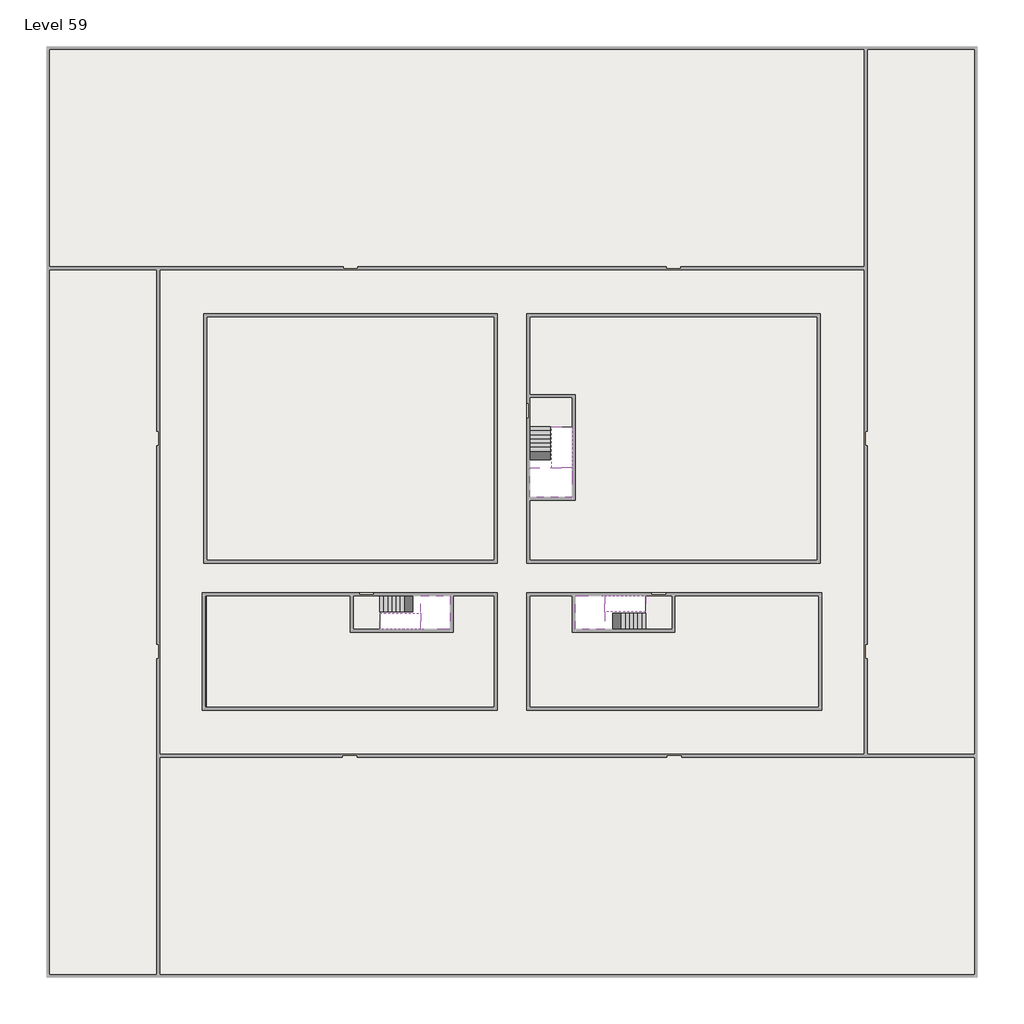
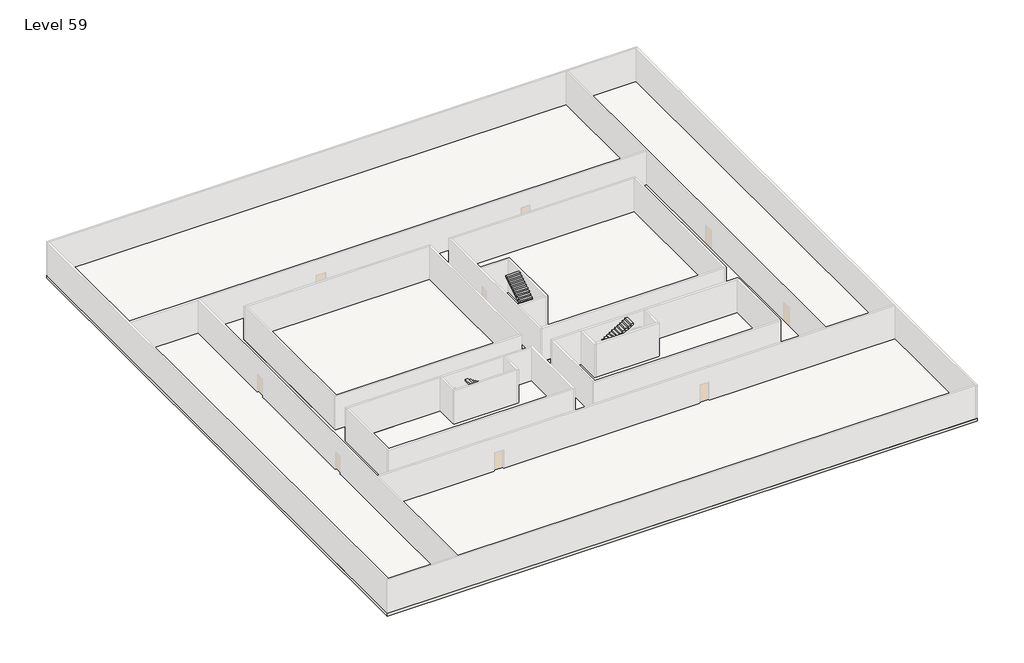
# One storey, part 2 of 2: 6 slabs, 6 stair flights.
"""IFC4 building model written with IfcOpenShell, lengths in millimetres."""

from ifc_helpers import new_model, si_unit, frame, origin, place, context, project, spatial, polyline, outline, extrude, faceted_brep, element, save

model = new_model("IFC4")

# Units and contexts
model_context = context("Model", 3, world=origin())
ifc_project = project(units=[si_unit("LENGTHUNIT", "METRE", prefix="MILLI")], contexts=[model_context])

# Site, building, storey
site = spatial("IfcSite", under=ifc_project)
building = spatial("IfcBuilding", under=site)
storey = spatial("IfcBuildingStorey", under=building, Name="Level 59", Elevation=220400.0)

# Slabs
placement = place(None, origin())
element("IfcSlab", 1, at=placement, inside=storey, context=model_context, shape_type="SweptSolid", body=[
    extrude(outline(polyline([(55890.1058784, -5518.09644), (55890.1058784, -68918.09644), (-7509.8941216, -68918.09644), (-7509.8941216, -5518.09644), (55890.1058784, -5518.09644)]), holes=[polyline([(23190.1058784, -23718.09644), (3190.1058784, -23718.09644), (3190.1058784, -40718.09644), (23190.1058784, -40718.09644), (23190.1058784, -23718.09644)]), polyline([(45190.1058784, -23718.09644), (25190.1058784, -23718.09644), (25190.1058784, -40718.09644), (45190.1058784, -40718.09644), (45190.1058784, -23718.09644)]), polyline([(23190.1058784, -50718.09644), (23190.1058784, -42718.09644), (3390.1058784, -42718.09644), (3390.1058784, -50718.09644), (23190.1058784, -50718.09644)]), polyline([(25190.1058784, -50718.09644), (45190.1058784, -50718.09644), (45190.1058784, -42718.09644), (25190.1058784, -42718.09644), (25190.1058784, -50718.09644)])]), frame((0.0, 0.0, 220100.0), z_axis=(0.0, 0.0, 1.0), x_axis=(1.0, 0.0, 0.0)), (0.0, 0.0, 1.0), 300.0),
])
element("IfcSlab", 2, at=placement, inside=storey, context=model_context, shape_type="Brep", body=[
    faceted_brep([(26790.1058784, -34218.09644, 222300.0), (25390.1058784, -34218.09644, 222300.0), (25390.1058784, -34297.4828763, 222300.0), (25390.1058784, -36218.09644, 222300.0), (28290.1058784, -36218.09644, 222300.0), (28290.1058784, -34418.7100038, 222300.0), (28290.1058784, -34218.09644, 222300.0), (26890.1058784, -34218.09644, 222300.0), (26790.1058784, -34218.09644, 222000.0), (26790.1058784, -34218.09644, 221951.0278478), (25390.1058784, -34218.09644, 221951.0278478), (25390.1058784, -34218.09644, 222127.2727273), (25390.1058784, -34297.4828763, 222000.0), (25390.1058784, -36218.09644, 222000.0), (28290.1058784, -36218.09644, 222000.0), (28290.1058784, -34418.7100038, 222000.0), (28290.1058784, -34218.09644, 222123.7551205), (26890.1058784, -34218.09644, 222123.7551205), (26890.1058784, -34218.09644, 222000.0), (26890.1058784, -34418.7100038, 222000.0), (26790.1058784, -34297.4828763, 222000.0)], [[[0, 1, 2, 3, 4, 5, 6, 7]], [[1, 0, 8, 9, 10, 11]], [[1, 11, 10, 12, 13, 3, 2]], [[4, 3, 13, 14]], [[4, 14, 15, 16, 6, 5]], [[7, 6, 16, 17]], [[0, 7, 17, 18, 8]], [[18, 19, 15, 14, 13, 12, 20, 8]], [[19, 18, 17]], [[20, 12, 10, 9]], [[8, 20, 9]], [[15, 19, 17, 16]]]),
])
element("IfcSlab", 3, at=placement, inside=storey, context=model_context, shape_type="SweptSolid", body=[
    extrude(outline(polyline([(22990.1058784, -23918.09644), (22990.1058784, -40518.09644), (3390.1058784, -40518.09644), (3390.1058784, -23918.09644), (22990.1058784, -23918.09644)])), frame((0.0, 0.0, 220100.0), z_axis=(0.0, 0.0, 1.0), x_axis=(1.0, 0.0, 0.0)), (0.0, 0.0, 1.0), 300.0),
    extrude(outline(polyline([(44990.1058784, -23918.09644), (44990.1058784, -40518.09644), (25390.1058784, -40518.09644), (25390.1058784, -36418.09644), (28490.1058784, -36418.09644), (28490.1058784, -29218.09644), (25390.1058784, -29218.09644), (25390.1058784, -23918.09644), (44990.1058784, -23918.09644)])), frame((0.0, 0.0, 220100.0), z_axis=(0.0, 0.0, 1.0), x_axis=(1.0, 0.0, 0.0)), (0.0, 0.0, 1.0), 300.0),
    extrude(outline(polyline([(22990.1058784, -42918.09644), (22990.1058784, -50518.09644), (3390.1058784, -50518.09644), (3390.1058784, -42918.09644), (13190.1058784, -42918.09644), (13190.1058784, -45418.09644), (20190.1058784, -45418.09644), (20190.1058784, -42918.09644), (22990.1058784, -42918.09644)])), frame((0.0, 0.0, 220100.0), z_axis=(0.0, 0.0, 1.0), x_axis=(1.0, 0.0, 0.0)), (0.0, 0.0, 1.0), 300.0),
    extrude(outline(polyline([(28290.1058784, -42918.09644), (28290.1058784, -45418.09644), (35290.1058784, -45418.09644), (35290.1058784, -42918.09644), (45090.1058784, -42918.09644), (45090.1058784, -50518.09644), (25390.1058784, -50518.09644), (25390.1058784, -42918.09644), (28290.1058784, -42918.09644)])), frame((0.0, 0.0, 220100.0), z_axis=(0.0, 0.0, 1.0), x_axis=(1.0, 0.0, 0.0)), (0.0, 0.0, 1.0), 300.0),
])
element("IfcSlab", 4, at=placement, inside=storey, context=model_context, shape_type="Brep", body=[
    faceted_brep([(30490.1058784, -45218.09644, 222300.0), (30490.1058784, -44118.09644, 222300.0), (30490.1058784, -44018.09644, 222300.0), (30490.1058784, -42918.09644, 222300.0), (30289.4923146, -42918.09644, 222300.0), (28490.1058784, -42918.09644, 222300.0), (28490.1058784, -45218.09644, 222300.0), (30410.7194421, -45218.09644, 222300.0), (30490.1058784, -45218.09644, 222127.2727273), (30490.1058784, -45218.09644, 221951.0278478), (30490.1058784, -44118.09644, 221951.0278478), (30490.1058784, -44118.09644, 222000.0), (30490.1058784, -44018.09644, 222000.0), (30490.1058784, -44018.09644, 222123.7551205), (30490.1058784, -42918.09644, 222123.7551205), (30289.4923146, -42918.09644, 222000.0), (28490.1058784, -42918.09644, 222000.0), (28490.1058784, -45218.09644, 222000.0), (30410.7194421, -45218.09644, 222000.0), (30289.4923146, -44018.09644, 222000.0), (30410.7194421, -44118.09644, 222000.0)], [[[0, 1, 2, 3, 4, 5, 6, 7]], [[1, 0, 8, 9, 10, 11]], [[2, 1, 11, 12, 13]], [[3, 2, 13, 14]], [[3, 14, 15, 16, 5, 4]], [[6, 5, 16, 17]], [[9, 8, 0, 7, 6, 17, 18]], [[19, 12, 11, 20, 18, 17, 16, 15]], [[12, 19, 13]], [[18, 20, 10, 9]], [[20, 11, 10]], [[19, 15, 14, 13]]]),
])
element("IfcSlab", 5, at=placement, inside=storey, context=model_context, shape_type="Brep", body=[
    faceted_brep([(17990.1058784, -42918.09644, 222300.0), (17990.1058784, -44018.09644, 222300.0), (17990.1058784, -44118.09644, 222300.0), (17990.1058784, -45218.09644, 222300.0), (18190.7194421, -45218.09644, 222300.0), (19990.1058784, -45218.09644, 222300.0), (19990.1058784, -42918.09644, 222300.0), (18069.4923146, -42918.09644, 222300.0), (17990.1058784, -42918.09644, 222127.2727273), (17990.1058784, -42918.09644, 221951.0278478), (17990.1058784, -44018.09644, 221951.0278478), (17990.1058784, -44018.09644, 222000.0), (17990.1058784, -44118.09644, 222000.0), (17990.1058784, -44118.09644, 222123.7551205), (17990.1058784, -45218.09644, 222123.7551205), (18190.7194421, -45218.09644, 222000.0), (19990.1058784, -45218.09644, 222000.0), (19990.1058784, -42918.09644, 222000.0), (18069.4923146, -42918.09644, 222000.0), (18190.7194421, -44118.09644, 222000.0), (18069.4923146, -44018.09644, 222000.0)], [[[0, 1, 2, 3, 4, 5, 6, 7]], [[1, 0, 8, 9, 10, 11]], [[2, 1, 11, 12, 13]], [[3, 2, 13, 14]], [[3, 14, 15, 16, 5, 4]], [[6, 5, 16, 17]], [[9, 8, 0, 7, 6, 17, 18]], [[19, 12, 11, 20, 18, 17, 16, 15]], [[12, 19, 13]], [[18, 20, 10, 9]], [[20, 11, 10]], [[19, 15, 14, 13]]]),
])
element("IfcSlab", 6, at=placement, inside=storey, context=model_context, shape_type="SweptSolid", body=[
    extrude(outline(polyline([(25190.1058784, -29418.09644), (28290.1058784, -29418.09644), (28290.1058784, -31418.09644), (25190.1058784, -31418.09644), (25190.1058784, -29418.09644)])), frame((0.0, 0.0, 220100.0), z_axis=(0.0, 0.0, 1.0), x_axis=(1.0, 0.0, 0.0)), (0.0, 0.0, 1.0), 300.0),
    extrude(outline(polyline([(15190.1058784, -45218.09644), (13390.1058784, -45218.09644), (13390.1058784, -42718.09644), (15190.1058784, -42718.09644), (15190.1058784, -45218.09644)])), frame((0.0, 0.0, 220100.0), z_axis=(0.0, 0.0, 1.0), x_axis=(1.0, 0.0, 0.0)), (0.0, 0.0, 1.0), 300.0),
    extrude(outline(polyline([(35090.1058784, -45218.09644), (33290.1058784, -45218.09644), (33290.1058784, -42718.09644), (35090.1058784, -42718.09644), (35090.1058784, -45218.09644)])), frame((0.0, 0.0, 220100.0), z_axis=(0.0, 0.0, 1.0), x_axis=(1.0, 0.0, 0.0)), (0.0, 0.0, 1.0), 300.0),
])

# Stair flights
element("IfcStairFlight", 7, at=placement, inside=storey, context=model_context, shape_type="Brep", body=[
    faceted_brep([(26790.1058784, -31698.09644, 220572.7272727), (26790.1058784, -31418.09644, 220572.7272727), (25390.1058784, -31418.09644, 220572.7272727), (25390.1058784, -31698.09644, 220572.7272727), (26790.1058784, -31698.09644, 220400.0), (26790.1058784, -31418.09644, 220400.0), (25390.1058784, -31418.09644, 220400.0), (25390.1058784, -31698.09644, 220400.0), (26790.1058784, -31978.09644, 220745.4545455), (26790.1058784, -31698.09644, 220745.4545455), (25390.1058784, -31698.09644, 220745.4545455), (25390.1058784, -31978.09644, 220745.4545455), (26790.1058784, -31978.09644, 220569.209666), (26790.1058784, -31703.7986657, 220400.0), (25390.1058784, -31703.7986657, 220400.0), (25390.1058784, -31978.09644, 220569.209666), (26790.1058784, -32258.09644, 220918.1818182), (26790.1058784, -31978.09644, 220918.1818182), (25390.1058784, -31978.09644, 220918.1818182), (25390.1058784, -32258.09644, 220918.1818182), (26790.1058784, -32258.09644, 220741.9369387), (25390.1058784, -32258.09644, 220741.9369387), (26790.1058784, -32538.09644, 221090.9090909), (26790.1058784, -32258.09644, 221090.9090909), (25390.1058784, -32258.09644, 221090.9090909), (25390.1058784, -32538.09644, 221090.9090909), (26790.1058784, -32538.09644, 220914.6642114), (25390.1058784, -32538.09644, 220914.6642114), (26790.1058784, -32818.09644, 221263.6363636), (26790.1058784, -32538.09644, 221263.6363636), (25390.1058784, -32538.09644, 221263.6363636), (25390.1058784, -32818.09644, 221263.6363636), (26790.1058784, -32818.09644, 221087.3914841), (25390.1058784, -32818.09644, 221087.3914841), (26790.1058784, -33098.09644, 221436.3636364), (26790.1058784, -32818.09644, 221436.3636364), (25390.1058784, -32818.09644, 221436.3636364), (25390.1058784, -33098.09644, 221436.3636364), (26790.1058784, -33098.09644, 221260.1187569), (25390.1058784, -33098.09644, 221260.1187569), (26790.1058784, -33378.09644, 221609.0909091), (26790.1058784, -33098.09644, 221609.0909091), (25390.1058784, -33098.09644, 221609.0909091), (25390.1058784, -33378.09644, 221609.0909091), (26790.1058784, -33378.09644, 221432.8460296), (25390.1058784, -33378.09644, 221432.8460296), (26790.1058784, -33658.09644, 221781.8181818), (26790.1058784, -33378.09644, 221781.8181818), (25390.1058784, -33378.09644, 221781.8181818), (25390.1058784, -33658.09644, 221781.8181818), (26790.1058784, -33658.09644, 221605.5733023), (25390.1058784, -33658.09644, 221605.5733023), (26790.1058784, -33938.09644, 221954.5454545), (26790.1058784, -33658.09644, 221954.5454545), (25390.1058784, -33658.09644, 221954.5454545), (25390.1058784, -33938.09644, 221954.5454545), (26790.1058784, -33938.09644, 221778.3005751), (25390.1058784, -33938.09644, 221778.3005751), (26790.1058784, -34218.09644, 222127.2727273), (26790.1058784, -33938.09644, 222127.2727273), (25390.1058784, -33938.09644, 222127.2727273), (25390.1058784, -34218.09644, 222127.2727273), (26790.1058784, -34218.09644, 222000.0), (26790.1058784, -34218.09644, 221951.0278478), (25390.1058784, -34218.09644, 221951.0278478)], [[[0, 1, 2, 3]], [[1, 0, 4, 5]], [[2, 1, 5, 6]], [[3, 2, 6, 7]], [[8, 9, 10, 11]], [[4, 0, 9, 8, 12, 13]], [[0, 3, 10, 9]], [[3, 7, 14, 15, 11, 10]], [[16, 17, 18, 19]], [[17, 16, 20, 12, 8]], [[8, 11, 18, 17]], [[19, 18, 11, 15, 21]], [[22, 23, 24, 25]], [[23, 22, 26, 20, 16]], [[16, 19, 24, 23]], [[25, 24, 19, 21, 27]], [[28, 29, 30, 31]], [[29, 28, 32, 26, 22]], [[22, 25, 30, 29]], [[31, 30, 25, 27, 33]], [[34, 35, 36, 37]], [[35, 34, 38, 32, 28]], [[28, 31, 36, 35]], [[37, 36, 31, 33, 39]], [[40, 41, 42, 43]], [[41, 40, 44, 38, 34]], [[34, 37, 42, 41]], [[43, 42, 37, 39, 45]], [[46, 47, 48, 49]], [[47, 46, 50, 44, 40]], [[40, 43, 48, 47]], [[49, 48, 43, 45, 51]], [[52, 53, 54, 55]], [[53, 52, 56, 50, 46]], [[46, 49, 54, 53]], [[55, 54, 49, 51, 57]], [[58, 59, 60, 61]], [[59, 58, 62, 63, 56, 52]], [[52, 55, 60, 59]], [[61, 60, 55, 57, 64]], [[58, 61, 64, 63, 62]], [[5, 4, 13, 14, 7, 6]], [[14, 13, 12, 20, 26, 32, 38, 44, 50, 56, 63, 64, 57, 51, 45, 39, 33, 27, 21, 15]]]),
])
element("IfcStairFlight", 8, at=placement, inside=storey, context=model_context, shape_type="Brep", body=[
    faceted_brep([(26890.1058784, -33938.09644, 222472.7272727), (26890.1058784, -34218.09644, 222472.7272727), (28290.1058784, -34218.09644, 222472.7272727), (28290.1058784, -33938.09644, 222472.7272727), (26890.1058784, -33938.09644, 222296.4823932), (26890.1058784, -34218.09644, 222123.7551205), (28290.1058784, -34218.09644, 222123.7551205), (28290.1058784, -34218.09644, 222300.0), (28290.1058784, -33938.09644, 222296.4823932), (26890.1058784, -33658.09644, 222645.4545455), (26890.1058784, -33938.09644, 222645.4545455), (28290.1058784, -33938.09644, 222645.4545455), (28290.1058784, -33658.09644, 222645.4545455), (26890.1058784, -33658.09644, 222469.209666), (28290.1058784, -33658.09644, 222469.209666), (26890.1058784, -33378.09644, 222818.1818182), (26890.1058784, -33658.09644, 222818.1818182), (28290.1058784, -33658.09644, 222818.1818182), (28290.1058784, -33378.09644, 222818.1818182), (26890.1058784, -33378.09644, 222641.9369387), (28290.1058784, -33378.09644, 222641.9369387), (26890.1058784, -33098.09644, 222990.9090909), (26890.1058784, -33378.09644, 222990.9090909), (28290.1058784, -33378.09644, 222990.9090909), (28290.1058784, -33098.09644, 222990.9090909), (26890.1058784, -33098.09644, 222814.6642114), (28290.1058784, -33098.09644, 222814.6642114), (26890.1058784, -32818.09644, 223163.6363636), (26890.1058784, -33098.09644, 223163.6363636), (28290.1058784, -33098.09644, 223163.6363636), (28290.1058784, -32818.09644, 223163.6363636), (26890.1058784, -32818.09644, 222987.3914841), (28290.1058784, -32818.09644, 222987.3914841), (26890.1058784, -32538.09644, 223336.3636364), (26890.1058784, -32818.09644, 223336.3636364), (28290.1058784, -32818.09644, 223336.3636364), (28290.1058784, -32538.09644, 223336.3636364), (26890.1058784, -32538.09644, 223160.1187569), (28290.1058784, -32538.09644, 223160.1187569), (26890.1058784, -32258.09644, 223509.0909091), (26890.1058784, -32538.09644, 223509.0909091), (28290.1058784, -32538.09644, 223509.0909091), (28290.1058784, -32258.09644, 223509.0909091), (26890.1058784, -32258.09644, 223332.8460296), (28290.1058784, -32258.09644, 223332.8460296), (26890.1058784, -31978.09644, 223681.8181818), (26890.1058784, -32258.09644, 223681.8181818), (28290.1058784, -32258.09644, 223681.8181818), (28290.1058784, -31978.09644, 223681.8181818), (26890.1058784, -31978.09644, 223505.5733023), (28290.1058784, -31978.09644, 223505.5733023), (26890.1058784, -31698.09644, 223854.5454545), (26890.1058784, -31978.09644, 223854.5454545), (28290.1058784, -31978.09644, 223854.5454545), (28290.1058784, -31698.09644, 223854.5454545), (26890.1058784, -31698.09644, 223678.3005751), (28290.1058784, -31698.09644, 223678.3005751), (26890.1058784, -31418.09644, 224027.2727273), (26890.1058784, -31698.09644, 224027.2727273), (28290.1058784, -31698.09644, 224027.2727273), (28290.1058784, -31418.09644, 224027.2727273), (26890.1058784, -31418.09644, 223851.0278478), (28290.1058784, -31418.09644, 223851.0278478)], [[[0, 1, 2, 3]], [[1, 0, 4, 5]], [[2, 1, 5, 6, 7]], [[3, 2, 7, 6, 8]], [[9, 10, 11, 12]], [[10, 9, 13, 4, 0]], [[11, 10, 0, 3]], [[12, 11, 3, 8, 14]], [[15, 16, 17, 18]], [[16, 15, 19, 13, 9]], [[17, 16, 9, 12]], [[18, 17, 12, 14, 20]], [[21, 22, 23, 24]], [[22, 21, 25, 19, 15]], [[23, 22, 15, 18]], [[24, 23, 18, 20, 26]], [[27, 28, 29, 30]], [[28, 27, 31, 25, 21]], [[29, 28, 21, 24]], [[30, 29, 24, 26, 32]], [[33, 34, 35, 36]], [[34, 33, 37, 31, 27]], [[35, 34, 27, 30]], [[36, 35, 30, 32, 38]], [[39, 40, 41, 42]], [[40, 39, 43, 37, 33]], [[41, 40, 33, 36]], [[42, 41, 36, 38, 44]], [[45, 46, 47, 48]], [[46, 45, 49, 43, 39]], [[47, 46, 39, 42]], [[48, 47, 42, 44, 50]], [[51, 52, 53, 54]], [[52, 51, 55, 49, 45]], [[53, 52, 45, 48]], [[54, 53, 48, 50, 56]], [[57, 58, 59, 60]], [[58, 57, 61, 55, 51]], [[59, 58, 51, 54]], [[60, 59, 54, 56, 62]], [[57, 60, 62, 61]], [[5, 4, 13, 19, 25, 31, 37, 43, 49, 55, 61, 62, 56, 50, 44, 38, 32, 26, 20, 14, 8, 6]]]),
])
element("IfcStairFlight", 9, at=placement, inside=storey, context=model_context, shape_type="Brep", body=[
    faceted_brep([(33010.1058784, -45218.09644, 220572.7272727), (33290.1058784, -45218.09644, 220572.7272727), (33290.1058784, -44118.09644, 220572.7272727), (33010.1058784, -44118.09644, 220572.7272727), (33010.1058784, -45218.09644, 220400.0), (33290.1058784, -45218.09644, 220400.0), (33290.1058784, -44118.09644, 220400.0), (33010.1058784, -44118.09644, 220400.0), (32730.1058784, -45218.09644, 220745.4545455), (33010.1058784, -45218.09644, 220745.4545455), (33010.1058784, -44118.09644, 220745.4545455), (32730.1058784, -44118.09644, 220745.4545455), (32730.1058784, -45218.09644, 220569.209666), (33004.4036527, -45218.09644, 220400.0), (33004.4036527, -44118.09644, 220400.0), (32730.1058784, -44118.09644, 220569.209666), (32450.1058784, -45218.09644, 220918.1818182), (32730.1058784, -45218.09644, 220918.1818182), (32730.1058784, -44118.09644, 220918.1818182), (32450.1058784, -44118.09644, 220918.1818182), (32450.1058784, -45218.09644, 220741.9369387), (32450.1058784, -44118.09644, 220741.9369387), (32170.1058784, -45218.09644, 221090.9090909), (32450.1058784, -45218.09644, 221090.9090909), (32450.1058784, -44118.09644, 221090.9090909), (32170.1058784, -44118.09644, 221090.9090909), (32170.1058784, -45218.09644, 220914.6642114), (32170.1058784, -44118.09644, 220914.6642114), (31890.1058784, -45218.09644, 221263.6363636), (32170.1058784, -45218.09644, 221263.6363636), (32170.1058784, -44118.09644, 221263.6363636), (31890.1058784, -44118.09644, 221263.6363636), (31890.1058784, -45218.09644, 221087.3914841), (31890.1058784, -44118.09644, 221087.3914841), (31610.1058784, -45218.09644, 221436.3636364), (31890.1058784, -45218.09644, 221436.3636364), (31890.1058784, -44118.09644, 221436.3636364), (31610.1058784, -44118.09644, 221436.3636364), (31610.1058784, -45218.09644, 221260.1187569), (31610.1058784, -44118.09644, 221260.1187569), (31330.1058784, -45218.09644, 221609.0909091), (31610.1058784, -45218.09644, 221609.0909091), (31610.1058784, -44118.09644, 221609.0909091), (31330.1058784, -44118.09644, 221609.0909091), (31330.1058784, -45218.09644, 221432.8460296), (31330.1058784, -44118.09644, 221432.8460296), (31050.1058784, -45218.09644, 221781.8181818), (31330.1058784, -45218.09644, 221781.8181818), (31330.1058784, -44118.09644, 221781.8181818), (31050.1058784, -44118.09644, 221781.8181818), (31050.1058784, -45218.09644, 221605.5733023), (31050.1058784, -44118.09644, 221605.5733023), (30770.1058784, -45218.09644, 221954.5454545), (31050.1058784, -45218.09644, 221954.5454545), (31050.1058784, -44118.09644, 221954.5454545), (30770.1058784, -44118.09644, 221954.5454545), (30770.1058784, -45218.09644, 221778.3005751), (30770.1058784, -44118.09644, 221778.3005751), (30490.1058784, -45218.09644, 222127.2727273), (30770.1058784, -45218.09644, 222127.2727273), (30770.1058784, -44118.09644, 222127.2727273), (30490.1058784, -44118.09644, 222127.2727273), (30490.1058784, -45218.09644, 221951.0278478), (30490.1058784, -44118.09644, 221951.0278478), (30490.1058784, -44118.09644, 222000.0)], [[[0, 1, 2, 3]], [[1, 0, 4, 5]], [[2, 1, 5, 6]], [[3, 2, 6, 7]], [[8, 9, 10, 11]], [[4, 0, 9, 8, 12, 13]], [[0, 3, 10, 9]], [[3, 7, 14, 15, 11, 10]], [[16, 17, 18, 19]], [[17, 16, 20, 12, 8]], [[8, 11, 18, 17]], [[19, 18, 11, 15, 21]], [[22, 23, 24, 25]], [[23, 22, 26, 20, 16]], [[16, 19, 24, 23]], [[25, 24, 19, 21, 27]], [[28, 29, 30, 31]], [[29, 28, 32, 26, 22]], [[22, 25, 30, 29]], [[31, 30, 25, 27, 33]], [[34, 35, 36, 37]], [[35, 34, 38, 32, 28]], [[28, 31, 36, 35]], [[37, 36, 31, 33, 39]], [[40, 41, 42, 43]], [[41, 40, 44, 38, 34]], [[34, 37, 42, 41]], [[43, 42, 37, 39, 45]], [[46, 47, 48, 49]], [[47, 46, 50, 44, 40]], [[40, 43, 48, 47]], [[49, 48, 43, 45, 51]], [[52, 53, 54, 55]], [[53, 52, 56, 50, 46]], [[46, 49, 54, 53]], [[55, 54, 49, 51, 57]], [[58, 59, 60, 61]], [[59, 58, 62, 56, 52]], [[52, 55, 60, 59]], [[61, 60, 55, 57, 63, 64]], [[58, 61, 64, 63, 62]], [[5, 4, 13, 14, 7, 6]], [[14, 13, 12, 20, 26, 32, 38, 44, 50, 56, 62, 63, 57, 51, 45, 39, 33, 27, 21, 15]]]),
])
element("IfcStairFlight", 10, at=placement, inside=storey, context=model_context, shape_type="Brep", body=[
    faceted_brep([(30770.1058784, -42918.09644, 222472.7272727), (30490.1058784, -42918.09644, 222472.7272727), (30490.1058784, -44018.09644, 222472.7272727), (30770.1058784, -44018.09644, 222472.7272727), (30770.1058784, -42918.09644, 222296.4823932), (30490.1058784, -42918.09644, 222123.7551205), (30490.1058784, -42918.09644, 222300.0), (30490.1058784, -44018.09644, 222123.7551205), (30770.1058784, -44018.09644, 222296.4823932), (31050.1058784, -42918.09644, 222645.4545455), (30770.1058784, -42918.09644, 222645.4545455), (30770.1058784, -44018.09644, 222645.4545455), (31050.1058784, -44018.09644, 222645.4545455), (31050.1058784, -42918.09644, 222469.209666), (31050.1058784, -44018.09644, 222469.209666), (31330.1058784, -42918.09644, 222818.1818182), (31050.1058784, -42918.09644, 222818.1818182), (31050.1058784, -44018.09644, 222818.1818182), (31330.1058784, -44018.09644, 222818.1818182), (31330.1058784, -42918.09644, 222641.9369387), (31330.1058784, -44018.09644, 222641.9369387), (31610.1058784, -42918.09644, 222990.9090909), (31330.1058784, -42918.09644, 222990.9090909), (31330.1058784, -44018.09644, 222990.9090909), (31610.1058784, -44018.09644, 222990.9090909), (31610.1058784, -42918.09644, 222814.6642114), (31610.1058784, -44018.09644, 222814.6642114), (31890.1058784, -42918.09644, 223163.6363636), (31610.1058784, -42918.09644, 223163.6363636), (31610.1058784, -44018.09644, 223163.6363636), (31890.1058784, -44018.09644, 223163.6363636), (31890.1058784, -42918.09644, 222987.3914841), (31890.1058784, -44018.09644, 222987.3914841), (32170.1058784, -42918.09644, 223336.3636364), (31890.1058784, -42918.09644, 223336.3636364), (31890.1058784, -44018.09644, 223336.3636364), (32170.1058784, -44018.09644, 223336.3636364), (32170.1058784, -42918.09644, 223160.1187569), (32170.1058784, -44018.09644, 223160.1187569), (32450.1058784, -42918.09644, 223509.0909091), (32170.1058784, -42918.09644, 223509.0909091), (32170.1058784, -44018.09644, 223509.0909091), (32450.1058784, -44018.09644, 223509.0909091), (32450.1058784, -42918.09644, 223332.8460296), (32450.1058784, -44018.09644, 223332.8460296), (32730.1058784, -42918.09644, 223681.8181818), (32450.1058784, -42918.09644, 223681.8181818), (32450.1058784, -44018.09644, 223681.8181818), (32730.1058784, -44018.09644, 223681.8181818), (32730.1058784, -42918.09644, 223505.5733023), (32730.1058784, -44018.09644, 223505.5733023), (33010.1058784, -42918.09644, 223854.5454545), (32730.1058784, -42918.09644, 223854.5454545), (32730.1058784, -44018.09644, 223854.5454545), (33010.1058784, -44018.09644, 223854.5454545), (33010.1058784, -42918.09644, 223678.3005751), (33010.1058784, -44018.09644, 223678.3005751), (33290.1058784, -42918.09644, 224027.2727273), (33010.1058784, -42918.09644, 224027.2727273), (33010.1058784, -44018.09644, 224027.2727273), (33290.1058784, -44018.09644, 224027.2727273), (33290.1058784, -42918.09644, 223851.0278478), (33290.1058784, -44018.09644, 223851.0278478)], [[[0, 1, 2, 3]], [[1, 0, 4, 5, 6]], [[2, 1, 6, 5, 7]], [[3, 2, 7, 8]], [[9, 10, 11, 12]], [[10, 9, 13, 4, 0]], [[11, 10, 0, 3]], [[12, 11, 3, 8, 14]], [[15, 16, 17, 18]], [[16, 15, 19, 13, 9]], [[17, 16, 9, 12]], [[18, 17, 12, 14, 20]], [[21, 22, 23, 24]], [[22, 21, 25, 19, 15]], [[23, 22, 15, 18]], [[24, 23, 18, 20, 26]], [[27, 28, 29, 30]], [[28, 27, 31, 25, 21]], [[29, 28, 21, 24]], [[30, 29, 24, 26, 32]], [[33, 34, 35, 36]], [[34, 33, 37, 31, 27]], [[35, 34, 27, 30]], [[36, 35, 30, 32, 38]], [[39, 40, 41, 42]], [[40, 39, 43, 37, 33]], [[41, 40, 33, 36]], [[42, 41, 36, 38, 44]], [[45, 46, 47, 48]], [[46, 45, 49, 43, 39]], [[47, 46, 39, 42]], [[48, 47, 42, 44, 50]], [[51, 52, 53, 54]], [[52, 51, 55, 49, 45]], [[53, 52, 45, 48]], [[54, 53, 48, 50, 56]], [[57, 58, 59, 60]], [[58, 57, 61, 55, 51]], [[59, 58, 51, 54]], [[60, 59, 54, 56, 62]], [[57, 60, 62, 61]], [[5, 4, 13, 19, 25, 31, 37, 43, 49, 55, 61, 62, 56, 50, 44, 38, 32, 26, 20, 14, 8, 7]]]),
])
element("IfcStairFlight", 11, at=placement, inside=storey, context=model_context, shape_type="Brep", body=[
    faceted_brep([(15470.1058784, -42918.09644, 220572.7272727), (15190.1058784, -42918.09644, 220572.7272727), (15190.1058784, -44018.09644, 220572.7272727), (15470.1058784, -44018.09644, 220572.7272727), (15470.1058784, -42918.09644, 220400.0), (15190.1058784, -42918.09644, 220400.0), (15190.1058784, -44018.09644, 220400.0), (15470.1058784, -44018.09644, 220400.0), (15750.1058784, -42918.09644, 220745.4545455), (15470.1058784, -42918.09644, 220745.4545455), (15470.1058784, -44018.09644, 220745.4545455), (15750.1058784, -44018.09644, 220745.4545455), (15750.1058784, -42918.09644, 220569.209666), (15475.8081041, -42918.09644, 220400.0), (15475.8081041, -44018.09644, 220400.0), (15750.1058784, -44018.09644, 220569.209666), (16030.1058784, -42918.09644, 220918.1818182), (15750.1058784, -42918.09644, 220918.1818182), (15750.1058784, -44018.09644, 220918.1818182), (16030.1058784, -44018.09644, 220918.1818182), (16030.1058784, -42918.09644, 220741.9369387), (16030.1058784, -44018.09644, 220741.9369387), (16310.1058784, -42918.09644, 221090.9090909), (16030.1058784, -42918.09644, 221090.9090909), (16030.1058784, -44018.09644, 221090.9090909), (16310.1058784, -44018.09644, 221090.9090909), (16310.1058784, -42918.09644, 220914.6642114), (16310.1058784, -44018.09644, 220914.6642114), (16590.1058784, -42918.09644, 221263.6363636), (16310.1058784, -42918.09644, 221263.6363636), (16310.1058784, -44018.09644, 221263.6363636), (16590.1058784, -44018.09644, 221263.6363636), (16590.1058784, -42918.09644, 221087.3914841), (16590.1058784, -44018.09644, 221087.3914841), (16870.1058784, -42918.09644, 221436.3636364), (16590.1058784, -42918.09644, 221436.3636364), (16590.1058784, -44018.09644, 221436.3636364), (16870.1058784, -44018.09644, 221436.3636364), (16870.1058784, -42918.09644, 221260.1187569), (16870.1058784, -44018.09644, 221260.1187569), (17150.1058784, -42918.09644, 221609.0909091), (16870.1058784, -42918.09644, 221609.0909091), (16870.1058784, -44018.09644, 221609.0909091), (17150.1058784, -44018.09644, 221609.0909091), (17150.1058784, -42918.09644, 221432.8460296), (17150.1058784, -44018.09644, 221432.8460296), (17430.1058784, -42918.09644, 221781.8181818), (17150.1058784, -42918.09644, 221781.8181818), (17150.1058784, -44018.09644, 221781.8181818), (17430.1058784, -44018.09644, 221781.8181818), (17430.1058784, -42918.09644, 221605.5733023), (17430.1058784, -44018.09644, 221605.5733023), (17710.1058784, -42918.09644, 221954.5454545), (17430.1058784, -42918.09644, 221954.5454545), (17430.1058784, -44018.09644, 221954.5454545), (17710.1058784, -44018.09644, 221954.5454545), (17710.1058784, -42918.09644, 221778.3005751), (17710.1058784, -44018.09644, 221778.3005751), (17990.1058784, -42918.09644, 222127.2727273), (17710.1058784, -42918.09644, 222127.2727273), (17710.1058784, -44018.09644, 222127.2727273), (17990.1058784, -44018.09644, 222127.2727273), (17990.1058784, -42918.09644, 221951.0278478), (17990.1058784, -44018.09644, 221951.0278478), (17990.1058784, -44018.09644, 222000.0)], [[[0, 1, 2, 3]], [[1, 0, 4, 5]], [[2, 1, 5, 6]], [[3, 2, 6, 7]], [[8, 9, 10, 11]], [[4, 0, 9, 8, 12, 13]], [[0, 3, 10, 9]], [[3, 7, 14, 15, 11, 10]], [[16, 17, 18, 19]], [[17, 16, 20, 12, 8]], [[8, 11, 18, 17]], [[19, 18, 11, 15, 21]], [[22, 23, 24, 25]], [[23, 22, 26, 20, 16]], [[16, 19, 24, 23]], [[25, 24, 19, 21, 27]], [[28, 29, 30, 31]], [[29, 28, 32, 26, 22]], [[22, 25, 30, 29]], [[31, 30, 25, 27, 33]], [[34, 35, 36, 37]], [[35, 34, 38, 32, 28]], [[28, 31, 36, 35]], [[37, 36, 31, 33, 39]], [[40, 41, 42, 43]], [[41, 40, 44, 38, 34]], [[34, 37, 42, 41]], [[43, 42, 37, 39, 45]], [[46, 47, 48, 49]], [[47, 46, 50, 44, 40]], [[40, 43, 48, 47]], [[49, 48, 43, 45, 51]], [[52, 53, 54, 55]], [[53, 52, 56, 50, 46]], [[46, 49, 54, 53]], [[55, 54, 49, 51, 57]], [[58, 59, 60, 61]], [[59, 58, 62, 56, 52]], [[52, 55, 60, 59]], [[61, 60, 55, 57, 63, 64]], [[58, 61, 64, 63, 62]], [[5, 4, 13, 14, 7, 6]], [[14, 13, 12, 20, 26, 32, 38, 44, 50, 56, 62, 63, 57, 51, 45, 39, 33, 27, 21, 15]]]),
])
element("IfcStairFlight", 12, at=placement, inside=storey, context=model_context, shape_type="Brep", body=[
    faceted_brep([(17710.1058784, -45218.09644, 222472.7272727), (17990.1058784, -45218.09644, 222472.7272727), (17990.1058784, -44118.09644, 222472.7272727), (17710.1058784, -44118.09644, 222472.7272727), (17710.1058784, -45218.09644, 222296.4823932), (17990.1058784, -45218.09644, 222123.7551205), (17990.1058784, -45218.09644, 222300.0), (17990.1058784, -44118.09644, 222123.7551205), (17710.1058784, -44118.09644, 222296.4823932), (17430.1058784, -45218.09644, 222645.4545455), (17710.1058784, -45218.09644, 222645.4545455), (17710.1058784, -44118.09644, 222645.4545455), (17430.1058784, -44118.09644, 222645.4545455), (17430.1058784, -45218.09644, 222469.209666), (17430.1058784, -44118.09644, 222469.209666), (17150.1058784, -45218.09644, 222818.1818182), (17430.1058784, -45218.09644, 222818.1818182), (17430.1058784, -44118.09644, 222818.1818182), (17150.1058784, -44118.09644, 222818.1818182), (17150.1058784, -45218.09644, 222641.9369387), (17150.1058784, -44118.09644, 222641.9369387), (16870.1058784, -45218.09644, 222990.9090909), (17150.1058784, -45218.09644, 222990.9090909), (17150.1058784, -44118.09644, 222990.9090909), (16870.1058784, -44118.09644, 222990.9090909), (16870.1058784, -45218.09644, 222814.6642114), (16870.1058784, -44118.09644, 222814.6642114), (16590.1058784, -45218.09644, 223163.6363636), (16870.1058784, -45218.09644, 223163.6363636), (16870.1058784, -44118.09644, 223163.6363636), (16590.1058784, -44118.09644, 223163.6363636), (16590.1058784, -45218.09644, 222987.3914841), (16590.1058784, -44118.09644, 222987.3914841), (16310.1058784, -45218.09644, 223336.3636364), (16590.1058784, -45218.09644, 223336.3636364), (16590.1058784, -44118.09644, 223336.3636364), (16310.1058784, -44118.09644, 223336.3636364), (16310.1058784, -45218.09644, 223160.1187569), (16310.1058784, -44118.09644, 223160.1187569), (16030.1058784, -45218.09644, 223509.0909091), (16310.1058784, -45218.09644, 223509.0909091), (16310.1058784, -44118.09644, 223509.0909091), (16030.1058784, -44118.09644, 223509.0909091), (16030.1058784, -45218.09644, 223332.8460296), (16030.1058784, -44118.09644, 223332.8460296), (15750.1058784, -45218.09644, 223681.8181818), (16030.1058784, -45218.09644, 223681.8181818), (16030.1058784, -44118.09644, 223681.8181818), (15750.1058784, -44118.09644, 223681.8181818), (15750.1058784, -45218.09644, 223505.5733023), (15750.1058784, -44118.09644, 223505.5733023), (15470.1058784, -45218.09644, 223854.5454545), (15750.1058784, -45218.09644, 223854.5454545), (15750.1058784, -44118.09644, 223854.5454545), (15470.1058784, -44118.09644, 223854.5454545), (15470.1058784, -45218.09644, 223678.3005751), (15470.1058784, -44118.09644, 223678.3005751), (15190.1058784, -45218.09644, 224027.2727273), (15470.1058784, -45218.09644, 224027.2727273), (15470.1058784, -44118.09644, 224027.2727273), (15190.1058784, -44118.09644, 224027.2727273), (15190.1058784, -45218.09644, 223851.0278478), (15190.1058784, -44118.09644, 223851.0278478)], [[[0, 1, 2, 3]], [[1, 0, 4, 5, 6]], [[2, 1, 6, 5, 7]], [[3, 2, 7, 8]], [[9, 10, 11, 12]], [[10, 9, 13, 4, 0]], [[11, 10, 0, 3]], [[12, 11, 3, 8, 14]], [[15, 16, 17, 18]], [[16, 15, 19, 13, 9]], [[17, 16, 9, 12]], [[18, 17, 12, 14, 20]], [[21, 22, 23, 24]], [[22, 21, 25, 19, 15]], [[23, 22, 15, 18]], [[24, 23, 18, 20, 26]], [[27, 28, 29, 30]], [[28, 27, 31, 25, 21]], [[29, 28, 21, 24]], [[30, 29, 24, 26, 32]], [[33, 34, 35, 36]], [[34, 33, 37, 31, 27]], [[35, 34, 27, 30]], [[36, 35, 30, 32, 38]], [[39, 40, 41, 42]], [[40, 39, 43, 37, 33]], [[41, 40, 33, 36]], [[42, 41, 36, 38, 44]], [[45, 46, 47, 48]], [[46, 45, 49, 43, 39]], [[47, 46, 39, 42]], [[48, 47, 42, 44, 50]], [[51, 52, 53, 54]], [[52, 51, 55, 49, 45]], [[53, 52, 45, 48]], [[54, 53, 48, 50, 56]], [[57, 58, 59, 60]], [[58, 57, 61, 55, 51]], [[59, 58, 51, 54]], [[60, 59, 54, 56, 62]], [[57, 60, 62, 61]], [[5, 4, 13, 19, 25, 31, 37, 43, 49, 55, 61, 62, 56, 50, 44, 38, 32, 26, 20, 14, 8, 7]]]),
])

save(model, "model.ifc")
